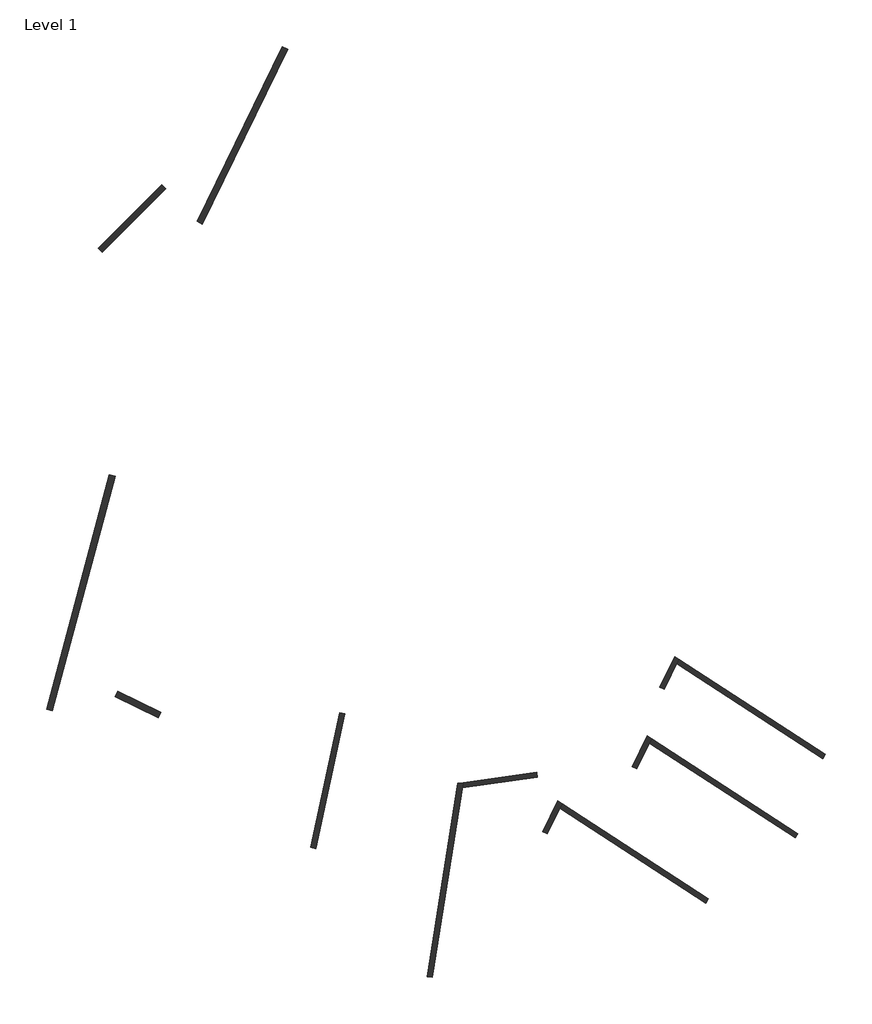
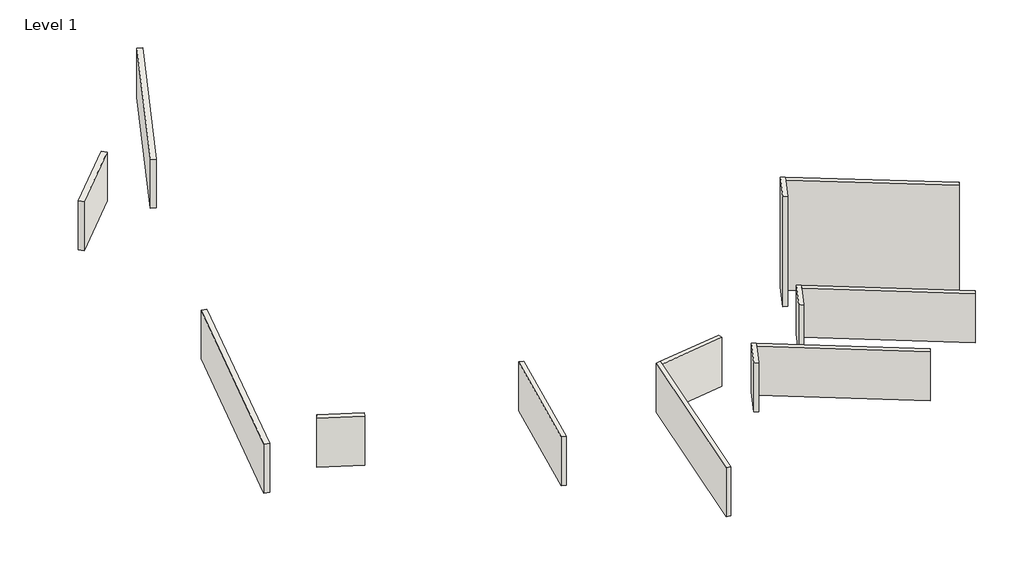
# One storey: 13 walls.
"""IFC4 building model written with IfcOpenShell, lengths in millimetres."""

from ifc_helpers import new_model, si_unit, origin, origin_with_axes, place, context, project, spatial, polyline, outline, extrude, faceted_brep, element, save

model = new_model("IFC4")

# Units and contexts
model_context = context("Model", 3, world=origin())
ifc_project = project(units=[si_unit("LENGTHUNIT", "METRE", prefix="MILLI")], contexts=[model_context])

# Site, building, storey
site = spatial("IfcSite", under=ifc_project)
building = spatial("IfcBuilding", under=site)
storey = spatial("IfcBuildingStorey", under=building, Name="Level 1", Elevation=0.0)

# Walls
placement = place(None, origin())
element("IfcWall", 1, at=placement, inside=storey, context=model_context, shape_type="Brep", body=[
    faceted_brep([(2221.4826525, -241.4249087, 0.0), (3223.9869726, 6088.1382609, 0.0), (3251.7959518, 6263.7172454, 0.0), (3251.7959518, 6263.7172454, 2000.0), (3223.9869726, 6088.1382609, 2000.0), (2221.4826525, -241.4249087, 2000.0), (2053.5756346, -214.8310496, 0.0), (2053.5756346, -214.8310496, 2000.0), (3075.7583753, 6238.9767774, 2000.0), (3075.7583753, 6238.9767774, 0.0)], [[[0, 1, 2, 3, 4, 5]], [[6, 7, 8, 9]], [[2, 1, 0, 6, 9]], [[5, 4, 3, 8, 7]], [[0, 5, 7, 6]], [[3, 2, 9, 8]]]),
])
element("IfcWall", 2, at=placement, inside=storey, context=model_context, shape_type="SweptSolid", body=[
    extrude(outline(polyline([(5731.3008425, 6440.518245), (3223.9869726, 6088.1382609), (3251.7959518, 6263.7172454), (5707.6414154, 6608.8638167), (5731.3008425, 6440.518245)])), origin_with_axes(), (0.0, 0.0, 1.0), 2000.0),
])
element("IfcWall", 3, at=placement, inside=storey, context=model_context, shape_type="Brep", body=[
    faceted_brep([(6067.7682558, 4552.7630683, 0.0), (6483.4938867, 5405.1269264, 0.0), (6558.576637, 5559.0693779, 0.0), (6558.576637, 5559.0693779, 2000.0), (6483.4938867, 5405.1269264, 2000.0), (6067.7682558, 4552.7630683, 2000.0), (5914.9732679, 4627.2861632, 0.0), (5914.9732679, 4627.2861632, 2000.0), (6414.9319347, 5652.3533384, 2000.0), (6414.9319347, 5652.3533384, 0.0)], [[[0, 1, 2, 3, 4, 5]], [[6, 7, 8, 9]], [[2, 1, 0, 6, 9]], [[5, 4, 3, 8, 7]], [[0, 5, 7, 6]], [[3, 2, 9, 8]]]),
])
element("IfcWall", 4, at=placement, inside=storey, context=model_context, shape_type="SweptSolid", body=[
    extrude(outline(polyline([(11351.0749436, 2244.0828275), (6483.4938867, 5405.1269264), (6558.576637, 5559.0693779), (11443.6635795, 2386.6568241), (11351.0749436, 2244.0828275)])), origin_with_axes(), (0.0, 0.0, 1.0), 2000.0),
])
element("IfcWall", 5, at=placement, inside=storey, context=model_context, shape_type="Brep", body=[
    faceted_brep([(9061.1311349, 6727.5685018, 0.0), (9476.8567658, 7579.9323598, 0.0), (9551.9395162, 7733.8748114, 0.0), (9551.9395162, 7733.8748114, 2000.0), (9476.8567658, 7579.9323598, 2000.0), (9061.1311349, 6727.5685018, 2000.0), (8908.3361471, 6802.0915967, 0.0), (8908.3361471, 6802.0915967, 2000.0), (9408.2948138, 7827.1587719, 2000.0), (9408.2948138, 7827.1587719, 0.0)], [[[0, 1, 2, 3, 4, 5]], [[6, 7, 8, 9]], [[2, 1, 0, 6, 9]], [[5, 4, 3, 8, 7]], [[0, 5, 7, 6]], [[3, 2, 9, 8]]]),
])
element("IfcWall", 6, at=placement, inside=storey, context=model_context, shape_type="SweptSolid", body=[
    extrude(outline(polyline([(14344.4378227, 4418.888261), (9476.8567658, 7579.9323598), (9551.9395162, 7733.8748114), (14437.0264587, 4561.4622575), (14344.4378227, 4418.888261)])), origin_with_axes(), (0.0, 0.0, 1.0), 2000.0),
])
element("IfcWall", 7, at=placement, inside=storey, context=model_context, shape_type="Brep", body=[
    faceted_brep([(9972.7219674, 9375.0205135, 0.0), (10388.4475983, 10227.3843715, 0.0), (10463.5303487, 10381.3268231, 0.0), (10463.5303487, 10381.3268231, 4500.0), (10388.4475983, 10227.3843715, 4500.0), (9972.7219674, 9375.0205135, 4500.0), (9819.9269795, 9449.5436084, 0.0), (9819.9269795, 9449.5436084, 4500.0), (10319.8856463, 10474.6107835, 4500.0), (10319.8856463, 10474.6107835, 0.0)], [[[0, 1, 2, 3, 4, 5]], [[6, 7, 8, 9]], [[2, 1, 0, 6, 9]], [[5, 4, 3, 8, 7]], [[0, 5, 7, 6]], [[3, 2, 9, 8]]]),
])
element("IfcWall", 8, at=placement, inside=storey, context=model_context, shape_type="SweptSolid", body=[
    extrude(outline(polyline([(15256.0286552, 7066.3402727), (10388.4475983, 10227.3843715), (10463.5303487, 10381.3268231), (15348.6172912, 7208.9142692), (15256.0286552, 7066.3402727)])), origin_with_axes(), (0.0, 0.0, 1.0), 4500.0),
])
element("IfcWall", 9, at=placement, inside=storey, context=model_context, shape_type="SweptSolid", body=[
    extrude(outline(polyline([(-703.8920495, 8563.9184783), (-1660.2858272, 4064.4395149), (-1826.5709194, 4099.7845023), (-870.1771416, 8599.2634657), (-703.8920495, 8563.9184783)])), origin_with_axes(), (0.0, 0.0, 1.0), 2000.0),
])
element("IfcWall", 10, ObjectType="Wall 1", at=placement, inside=storey, context=model_context, shape_type="SweptSolid", body=[
    extrude(outline(polyline([(-8273.0666133, 9309.2054466), (-6834.9961393, 8607.8116117), (-6922.6703686, 8428.0528024), (-8360.7408427, 9129.4466373), (-8273.0666133, 9309.2054466)])), origin_with_axes(), (0.0, 0.0, 1.0), 2000.0),
])
element("IfcWall", 11, ObjectType="Wall 1", at=placement, inside=storey, context=model_context, shape_type="SweptSolid", body=[
    extrude(outline(polyline([(-8366.1220153, 16486.9127275), (-10462.5562806, 8662.9135346), (-10655.7414458, 8714.6773436), (-8559.3071805, 16538.6765366), (-8366.1220153, 16486.9127275)])), origin_with_axes(), (0.0, 0.0, 1.0), 2000.0),
])
element("IfcWall", 12, ObjectType="Wall 1", at=placement, inside=storey, context=model_context, shape_type="SweptSolid", body=[
    extrude(outline(polyline([(-6671.4337246, 26089.4075143), (-8792.7540682, 23968.0871707), (-8934.1754244, 24109.508527), (-6812.8550808, 26230.8288705), (-6671.4337246, 26089.4075143)])), origin_with_axes(), (0.0, 0.0, 1.0), 2000.0),
])
element("IfcWall", 13, ObjectType="Wall 1", at=placement, inside=storey, context=model_context, shape_type="SweptSolid", body=[
    extrude(outline(polyline([(-2600.7710159, 30756.3608507), (-5450.1834701, 24914.1995497), (-5629.9422793, 25001.8737791), (-2780.5298252, 30844.03508), (-2600.7710159, 30756.3608507)])), origin_with_axes(), (0.0, 0.0, 1.0), 2000.0),
])

save(model, "model.ifc")
